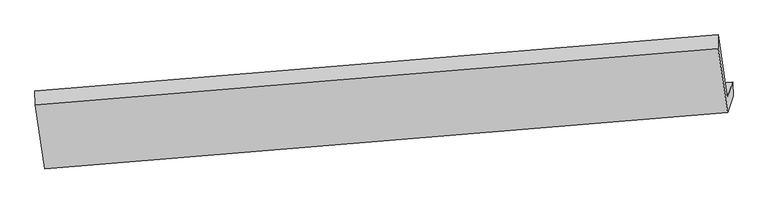
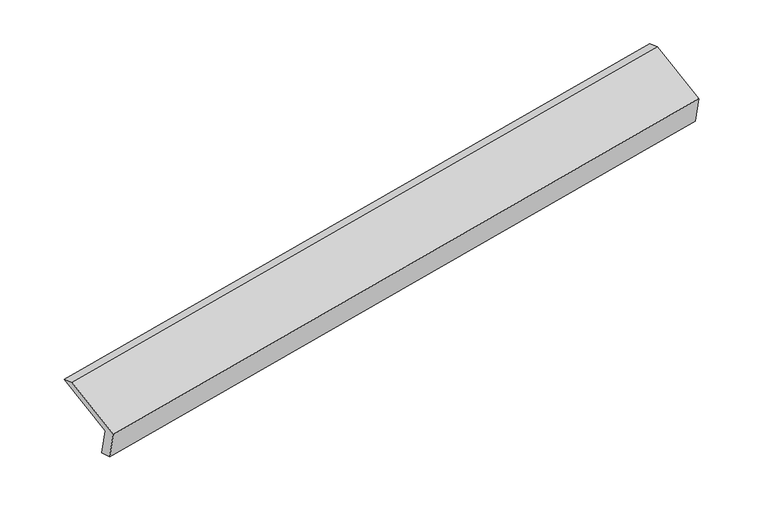
"""IFC4 building model written with IfcOpenShell, lengths in millimetres: proxy geometry."""

from ifc_helpers import new_model, si_unit, origin, place, context, project, spatial, faceted_brep, source, transform, mapped, element, save


def generic_models_aa7060fc(model_context):
    return source(origin(), model_context, "Body", "Brep", [
        faceted_brep([(-6130.6581276, -1814.1520645, 989.315717), (-6182.6312249, -1969.3629744, 1351.1857802), (483.6065604, -1417.4512002, 2534.3620843), (535.5796576, -1262.2402903, 2172.4920211), (-6126.4023377, -1951.805702, 1024.5030346), (539.8354476, -1399.8939278, 2207.6793387), (-6179.8209133, -2111.3333456, 1396.4374463), (486.416872, -1559.4215714, 2579.6137505), (-6271.7473901, -1489.3415442, 1650.015233), (394.4903952, -937.42977, 2833.1915372), (-6273.5689434, -1354.061297, 1602.0360922), (392.6688419, -802.1495228, 2785.2123964)], [[[0, 1, 2, 3]], [[4, 0, 3, 5]], [[6, 4, 5, 7]], [[8, 6, 7, 9]], [[10, 8, 9, 11]], [[1, 10, 11, 2]], [[9, 7, 5, 3, 2, 11]], [[1, 0, 4, 6, 8, 10]]]),
    ])


if __name__ == "__main__":
    model = new_model("IFC4")
    model_context = context("Model", 3, world=origin())
    ifc_project = project(units=[si_unit("LENGTHUNIT", "METRE", prefix="MILLI")], contexts=[model_context])
    site = spatial("IfcSite", under=ifc_project)
    building = spatial("IfcBuilding", under=site)
    placement = place(None, origin())
    generic_models_shape = generic_models_aa7060fc(model_context)
    element("IfcBuildingElementProxy", 1, Name="Generic Models", at=placement, inside=building, context=model_context, shape_type="MappedRepresentation", body=[
        mapped(generic_models_shape, transform((0.0, 0.0, 0.0), x_axis=(1.0, 0.0, 0.0), y_axis=(0.0, 1.0, 0.0), z_axis=(0.0, 0.0, 1.0))),
    ])
    save(model, "model.ifc")
